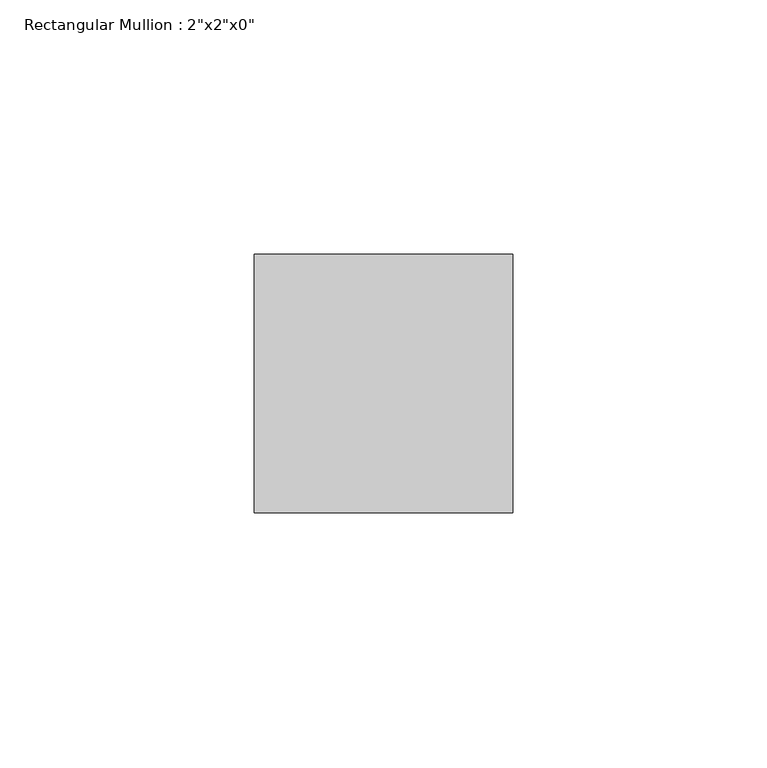
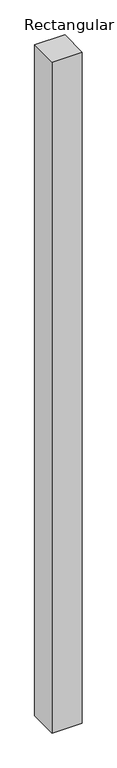
"""IFC4 building model written with IfcOpenShell, lengths in millimetres: member geometry."""

import ifcopenshell
import ifcopenshell.guid

model = None  # the IFC model being written
_history = None  # IfcOwnerHistory: only IFC2X3 demands one
_inside = {}  # id of a spatial element -> (the spatial element, [elements in it])
_under = {}  # id of a project, library or spatial element -> (it, [spatial elements below it])
_declared = {}  # id of a project -> (the project, [libraries it declares])
_typed = {}  # id of a type object -> (the type object, [elements of that type])
_made_of = {}  # id of a material, layer set ... -> (it, [elements and type objects made of it])


def new_model(schema):
    """Start an empty IFC model of exactly this schema.

    Asked for "IFC4X3", IfcOpenShell would pick the latest addendum, in which some entities
    have other attributes; the version numbers below select the first issue.
    IFC2X3 requires an IfcOwnerHistory on every rooted entity: one is made here for all.
    """
    global model, _history
    if schema == "IFC4X3":
        model = ifcopenshell.file(schema_version=(4, 3, 0, 0))
    else:
        model = ifcopenshell.file(schema=schema)
    _inside.clear()
    _under.clear()
    _declared.clear()
    _typed.clear()
    _made_of.clear()
    _history = None
    if model.schema == "IFC2X3":
        org = make("IfcOrganization", Name="unknown")
        user = make(
            "IfcPersonAndOrganization",
            ThePerson=make("IfcPerson", FamilyName="unknown"),
            TheOrganization=org,
        )
        app = make(
            "IfcApplication",
            ApplicationDeveloper=org,
            Version="unknown",
            ApplicationFullName="unknown",
            ApplicationIdentifier="unknown",
        )
        _history = make(
            "IfcOwnerHistory",
            OwningUser=user,
            OwningApplication=app,
            ChangeAction="ADDED",
            CreationDate=0,
        )
    return model


def make(cls, **values):
    """One entity of the class cls with the attributes given. An attribute that is None is left unset."""
    return model.create_entity(
        cls, **{name: value for name, value in values.items() if value is not None}
    )


def rooted(cls, **values):
    """An entity with a GlobalId (a new one), such as an element, a storey or a relation."""
    return make(cls, GlobalId=ifcopenshell.guid.new(), OwnerHistory=_history, **values)


def si_unit(unit_type, name, prefix=None):
    """IfcSIUnit, for example si_unit("LENGTHUNIT", "METRE", prefix="MILLI")."""
    return make("IfcSIUnit", UnitType=unit_type, Prefix=prefix, Name=name)


def assignment(units):
    """IfcUnitAssignment: the units of a project."""
    return None if units is None else make("IfcUnitAssignment", Units=units)


def point(xyz):
    """IfcCartesianPoint."""
    return None if xyz is None else make("IfcCartesianPoint", Coordinates=xyz)


def direction(xyz):
    """IfcDirection."""
    return None if xyz is None else make("IfcDirection", DirectionRatios=xyz)


def frame(location, z_axis=None, x_axis=None):
    """IfcAxis2Placement3D, a coordinate frame: its origin and axes. An axis left out is left unset."""
    return make(
        "IfcAxis2Placement3D",
        Location=point(location),
        Axis=direction(z_axis),
        RefDirection=direction(x_axis),
    )


def origin():
    """The frame at (0, 0, 0) with its axes left unset."""
    return frame((0.0, 0.0, 0.0))


def place(relative_to, where):
    """IfcLocalPlacement: puts the frame where relative to a parent placement (None: the world)."""
    return make(
        "IfcLocalPlacement", PlacementRelTo=relative_to, RelativePlacement=where
    )


def context(
    kind, dimensions, precision=None, world=None, true_north=None, identifier=None
):
    """IfcGeometricRepresentationContext, for example the 3D "Model" context."""
    return make(
        "IfcGeometricRepresentationContext",
        ContextIdentifier=identifier,
        ContextType=kind,
        CoordinateSpaceDimension=dimensions,
        Precision=precision,
        WorldCoordinateSystem=world,
        TrueNorth=true_north,
    )


def project(units=None, contexts=None):
    """IfcProject with its units and contexts."""
    return rooted(
        "IfcProject",
        Name="project",
        RepresentationContexts=contexts,
        UnitsInContext=assignment(units),
    )


def spatial(cls, under=None, at=None, **own):
    """A site, building, storey or space (cls), placed at a placement, below another one or the project."""
    s = rooted(cls, ObjectPlacement=at, **own)
    if under is not None:
        _under.setdefault(under.id(), (under, []))[1].append(s)
    return s


def polyline(points):
    """IfcPolyline through the points."""
    return make("IfcPolyline", Points=[point(p) for p in points])


def outline(outer, holes=None, kind="AREA"):
    """IfcArbitraryClosedProfileDef: a profile drawn as a closed curve; with holes, ...WithVoids."""
    if holes is None:
        return make("IfcArbitraryClosedProfileDef", ProfileType=kind, OuterCurve=outer)
    return make(
        "IfcArbitraryProfileDefWithVoids",
        ProfileType=kind,
        OuterCurve=outer,
        InnerCurves=holes,
    )


def extrude(swept, where, along, depth):
    """IfcExtrudedAreaSolid: the profile swept, set in the frame where, extruded along a direction by depth."""
    return make(
        "IfcExtrudedAreaSolid",
        SweptArea=swept,
        Position=where,
        ExtrudedDirection=direction(along),
        Depth=depth,
    )


def shape(context_of_items, identifier, shape_type, items):
    """IfcShapeRepresentation: the items that make up one representation, for example the "Body"."""
    return make(
        "IfcShapeRepresentation",
        ContextOfItems=context_of_items,
        RepresentationIdentifier=identifier,
        RepresentationType=shape_type,
        Items=items,
    )


def source(mapping_origin, context_of_items, identifier, shape_type, items):
    """IfcRepresentationMap: a shape defined once, which mapped items show again and again."""
    return make(
        "IfcRepresentationMap",
        MappingOrigin=mapping_origin,
        MappedRepresentation=shape(context_of_items, identifier, shape_type, items),
    )


def transform(
    local_origin,
    x_axis=None,
    y_axis=None,
    z_axis=None,
    scale=None,
    scale2=None,
    scale3=None,
    uniform=True,
):
    """IfcCartesianTransformationOperator3D, or its non-uniform kind. x_axis, y_axis, z_axis: its Axis1, 2, 3."""
    if uniform:
        return make(
            "IfcCartesianTransformationOperator3D",
            Axis1=direction(x_axis),
            Axis2=direction(y_axis),
            LocalOrigin=point(local_origin),
            Scale=scale,
            Axis3=direction(z_axis),
        )
    return make(
        "IfcCartesianTransformationOperator3DnonUniform",
        Axis1=direction(x_axis),
        Axis2=direction(y_axis),
        LocalOrigin=point(local_origin),
        Scale=scale,
        Axis3=direction(z_axis),
        Scale2=scale2,
        Scale3=scale3,
    )


def mapped(mapping_source, mapping_target):
    """IfcMappedItem: shows the shape of a source again, moved by a transform."""
    return make(
        "IfcMappedItem", MappingSource=mapping_source, MappingTarget=mapping_target
    )


def made_of(thing, what):
    """Note that an element or type object is made of a material, layer set ...; save() writes the relation."""
    if what is not None:
        _made_of.setdefault(what.id(), (what, []))[1].append(thing)
    return thing


def element(
    cls,
    number,
    at=None,
    inside=None,
    cuts=None,
    type_object=None,
    material=None,
    context=None,
    identifier="Body",
    shape_type=None,
    held_by="IfcProductDefinitionShape",
    body=None,
    shapes=None,
    **own,
):
    """One element of the class cls, such as IfcWall. Its Tag is "e" and its number.

    at: its placement. inside: the storey or other place that contains it. cuts: it is an
    opening in that element (IfcRelVoidsElement). A single representation is given by context,
    identifier, shape_type and body (its items); several are given by shapes. held_by: the class
    of the entity that holds the representations. save() writes the other relations.
    """
    e = rooted(cls, Tag="e%d" % number, ObjectPlacement=at, **own)
    if body is not None:
        shapes = [shape(context, identifier, shape_type, body)]
    if shapes is not None:
        e.Representation = make(held_by, Representations=shapes)
    if inside is not None:
        _inside.setdefault(inside.id(), (inside, []))[1].append(e)
    if cuts is not None:
        rooted(
            "IfcRelVoidsElement", RelatingBuildingElement=cuts, RelatedOpeningElement=e
        )
    if type_object is not None:
        _typed.setdefault(type_object.id(), (type_object, []))[1].append(e)
    return made_of(e, material)


def aggregate(whole, parts):
    """IfcRelAggregates: a whole, such as a stair, and the parts it consists of."""
    return rooted("IfcRelAggregates", RelatingObject=whole, RelatedObjects=parts)


def save(model, path):
    """Write the relations noted so far, then the file.

    IfcRelAggregates (storeys below a building ...), IfcRelContainedInSpatialStructure (elements
    in a storey), IfcRelDefinesByType, IfcRelAssociatesMaterial and IfcRelDeclares: one each for
    every whole, place, type object, material and project.
    """
    for whole, parts in _under.values():
        aggregate(whole, parts)
    for where, things in _inside.values():
        rooted(
            "IfcRelContainedInSpatialStructure",
            RelatedElements=things,
            RelatingStructure=where,
        )
    for kind, things in _typed.values():
        rooted("IfcRelDefinesByType", RelatedObjects=things, RelatingType=kind)
    for what, things in _made_of.values():
        rooted("IfcRelAssociatesMaterial", RelatedObjects=things, RelatingMaterial=what)
    for by, libraries in _declared.values():
        rooted("IfcRelDeclares", RelatingContext=by, RelatedDefinitions=libraries)
    model.write(path)


def member_58002123(model_context):
    return source(origin(), model_context, "Body", "SweptSolid", [
        extrude(outline(polyline([(25.4, 25.4), (25.4, -25.4), (-25.4, -25.4), (-25.4, 25.4), (25.4, 25.4)])), frame((0.0, 0.0, -1195.797534), z_axis=(0.0, 0.0, 1.0), x_axis=(1.0, 0.0, 0.0)), (0.0, 0.0, 1.0), 1195.797534),
    ])


if __name__ == "__main__":
    model = new_model("IFC4")
    model_context = context("Model", 3, world=origin())
    ifc_project = project(units=[si_unit("LENGTHUNIT", "METRE", prefix="MILLI")], contexts=[model_context])
    site = spatial("IfcSite", under=ifc_project)
    building = spatial("IfcBuilding", under=site)
    placement = place(None, origin())
    member_shape = member_58002123(model_context)
    element("IfcMember", 1, ObjectType="Rectangular Mullion : 2\"x2\"x0\"", at=placement, inside=building, context=model_context, shape_type="MappedRepresentation", body=[
        mapped(member_shape, transform((0.0, 0.0, 0.0), x_axis=(1.0, 0.0, 0.0), y_axis=(0.0, 1.0, 0.0), z_axis=(0.0, 0.0, 1.0))),
    ])
    save(model, "model.ifc")
